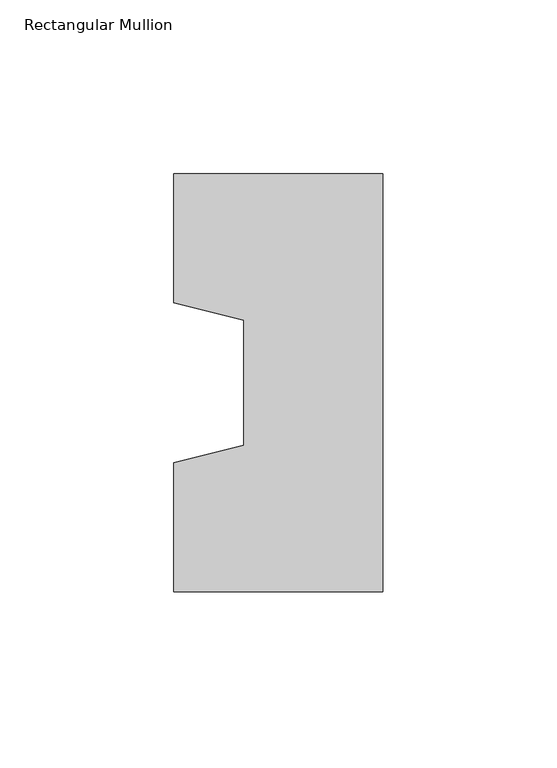
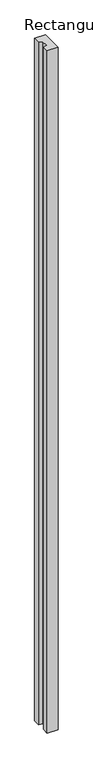
"""IFC4 building model written with IfcOpenShell, lengths in millimetres: column geometry, Rectangular Mullion."""

from ifc_helpers import new_model, si_unit, frame, origin, place, context, project, spatial, polyline, outline, extrude, source, transform, mapped, element, save


def rectangular_mullion_7294c9a8(model_context):
    return source(origin(), model_context, "Body", "SweptSolid", [
        extrude(outline(polyline([(-60.0, 60.0), (0.0, 60.0), (0.0, -60.0), (-60.0, -60.0), (-60.0, -23.0), (-40.0, -18.0), (-40.0, 18.0), (-60.0, 23.0), (-60.0, 60.0)])), frame((0.0, 0.0, -4000.0), z_axis=(0.0, 0.0, 1.0), x_axis=(1.0, 0.0, 0.0)), (0.0, 0.0, 1.0), 4000.0),
    ])


if __name__ == "__main__":
    model = new_model("IFC4")
    model_context = context("Model", 3, world=origin())
    ifc_project = project(units=[si_unit("LENGTHUNIT", "METRE", prefix="MILLI")], contexts=[model_context])
    site = spatial("IfcSite", under=ifc_project)
    building = spatial("IfcBuilding", under=site)
    placement = place(None, origin())
    rectangular_mullion_shape = rectangular_mullion_7294c9a8(model_context)
    element("IfcColumn", 1, ObjectType="Rectangular Mullion", at=placement, inside=building, context=model_context, shape_type="MappedRepresentation", body=[
        mapped(rectangular_mullion_shape, transform((0.0, 0.0, 0.0), x_axis=(1.0, 0.0, 0.0), y_axis=(0.0, 1.0, 0.0), z_axis=(0.0, 0.0, 1.0))),
    ])
    save(model, "model.ifc")
